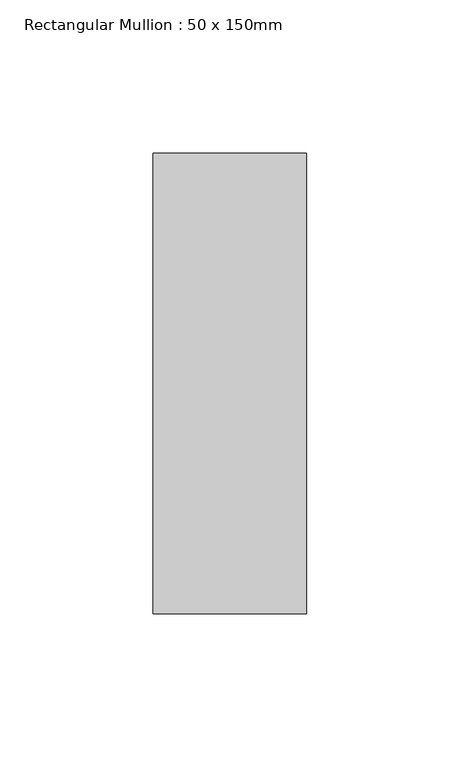
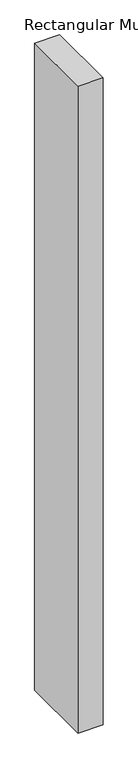
"""IFC4 building model written with IfcOpenShell, lengths in millimetres: member geometry, Rectangular Mullion : 50 x 150mm."""

from ifc_helpers import new_model, si_unit, frame, origin, place, context, project, spatial, polyline, outline, extrude, source, transform, mapped, element, save


def rectangular_mullion_50_x_150mm_440fa0e6(model_context):
    return source(origin(), model_context, "Body", "SweptSolid", [
        extrude(outline(polyline([(0.0, 75.0), (0.0, -75.0), (-50.0, -75.0), (-50.0, 75.0), (0.0, 75.0)])), frame((0.0, 0.0, -1367.0503543), z_axis=(0.0, 0.0, 1.0), x_axis=(1.0, 0.0, 0.0)), (0.0, 0.0, 1.0), 1367.0503543),
    ])


if __name__ == "__main__":
    model = new_model("IFC4")
    model_context = context("Model", 3, world=origin())
    ifc_project = project(units=[si_unit("LENGTHUNIT", "METRE", prefix="MILLI")], contexts=[model_context])
    site = spatial("IfcSite", under=ifc_project)
    building = spatial("IfcBuilding", under=site)
    placement = place(None, origin())
    rectangular_mullion_50_x_150mm_shape = rectangular_mullion_50_x_150mm_440fa0e6(model_context)
    element("IfcMember", 1, ObjectType="Rectangular Mullion : 50 x 150mm", at=placement, inside=building, context=model_context, shape_type="MappedRepresentation", body=[
        mapped(rectangular_mullion_50_x_150mm_shape, transform((0.0, 0.0, 0.0), x_axis=(1.0, 0.0, 0.0), y_axis=(0.0, 1.0, 0.0), z_axis=(0.0, 0.0, 1.0))),
    ])
    save(model, "model.ifc")
